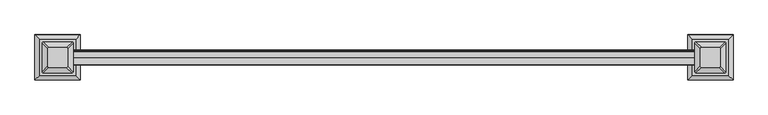
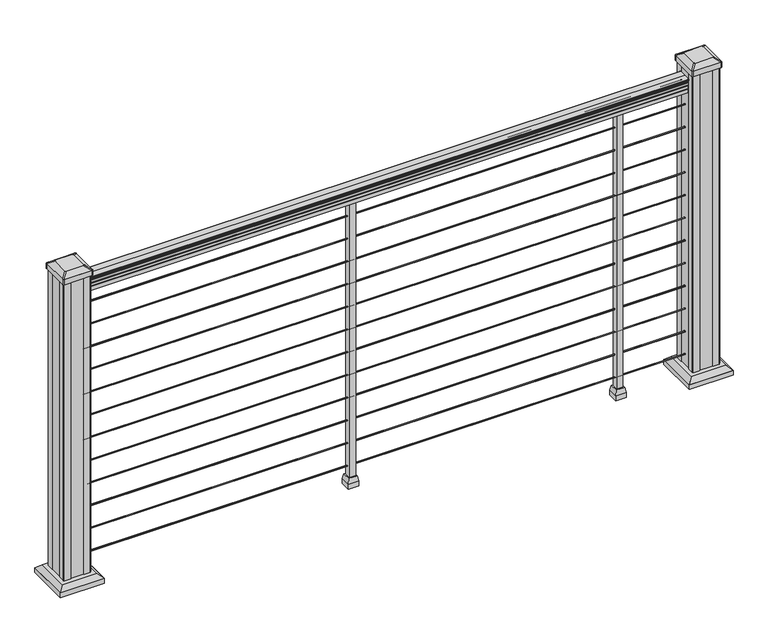
"""IFC4 building model written with IfcOpenShell, lengths in millimetres: railing geometry."""

from ifc_helpers import new_model, si_unit, point, frame, frame_2d, origin, origin_with_axes, place, context, project, spatial, polyline, circle_curve, trimmed, segment, composite_curve, outline, extrude, faceted_brep, source, transform, mapped, element, save
from ifc_brep_helpers import plane_surface, extruded_surface, advanced_brep


def railing_e48bc84e(model_context):
    return source(origin(), model_context, "Body", "SolidModel", [
        extrude(outline(composite_curve([segment(polyline([(-101867.7992427, 938.4043297), (-101867.7992427, 940.292412)]), True, "CONTINUOUS"), segment(trimmed(circle_curve(frame_2d((-101861.4844895, 946.0506383)), 8.545951), [point((-101867.7992427, 940.292412))], [point((-101868.929429, 941.8546695))], False, "CARTESIAN"), True, "CONTINUOUS"), segment(trimmed(circle_curve(frame_2d((-101861.9215524, 945.4636577)), 7.882584), [point((-101868.929429, 941.8546695))], [point((-101868.929429, 949.0726458))], False, "CARTESIAN"), True, "CONTINUOUS"), segment(trimmed(circle_curve(frame_2d((-101872.4348766, 951.3112527)), 4.1592695), [point((-101868.929429, 949.0726458))], [point((-101868.2801726, 951.5060812))], True, "CARTESIAN"), True, "CONTINUOUS"), segment(trimmed(circle_curve(frame_2d((-101873.7221831, 951.2508864)), 5.4479907), [point((-101868.2801726, 951.5060812))], [point((-101870.7801726, 955.8362083))], True, "CARTESIAN"), True, "CONTINUOUS"), segment(trimmed(circle_curve(frame_2d((-101872.4890247, 955.833395)), 1.7088543), [point((-101870.7801726, 955.8362083))], [point((-101872.1895151, 957.5157972))], True, "CARTESIAN"), True, "CONTINUOUS"), segment(trimmed(circle_curve(frame_2d((-101870.8721246, 958.6205318)), 1.7192895), [point((-101872.1895151, 957.5157972))], [point((-101872.5914141, 958.6205318))], False, "CARTESIAN"), True, "CONTINUOUS"), segment(polyline([(-101872.5914141, 958.6205318), (-101872.591414, 959.9608158)]), True, "CONTINUOUS"), segment(trimmed(circle_curve(frame_2d((-101871.0379668, 959.9608158)), 1.5534472), [point((-101872.591414, 959.9608158))], [point((-101871.0379668, 961.514263))], False, "CARTESIAN"), True, "CONTINUOUS"), segment(polyline([(-101871.0379668, 961.514263), (-101850.366414, 961.514263), (-101829.6948612, 961.514263)]), True, "CONTINUOUS"), segment(trimmed(circle_curve(frame_2d((-101829.6948612, 959.9608158)), 1.5534472), [point((-101829.6948612, 961.514263))], [point((-101828.141414, 959.9608158))], False, "CARTESIAN"), True, "CONTINUOUS"), segment(polyline([(-101828.141414, 959.9608158), (-101828.141414, 958.6205318)]), True, "CONTINUOUS"), segment(trimmed(circle_curve(frame_2d((-101829.8607034, 958.6205318)), 1.7192895), [point((-101828.141414, 958.6205318))], [point((-101828.5433129, 957.5157972))], False, "CARTESIAN"), True, "CONTINUOUS"), segment(trimmed(circle_curve(frame_2d((-101828.2438033, 955.833395)), 1.7088543), [point((-101828.5433129, 957.5157972))], [point((-101829.9526554, 955.8362083))], True, "CARTESIAN"), True, "CONTINUOUS"), segment(trimmed(circle_curve(frame_2d((-101827.0106449, 951.2508864)), 5.4479907), [point((-101829.9526554, 955.8362083))], [point((-101832.4526554, 951.5060812))], True, "CARTESIAN"), True, "CONTINUOUS"), segment(trimmed(circle_curve(frame_2d((-101828.2979515, 951.3112527)), 4.1592695), [point((-101832.4526554, 951.5060812))], [point((-101831.803399, 949.0726458))], True, "CARTESIAN"), True, "CONTINUOUS"), segment(trimmed(circle_curve(frame_2d((-101838.8112756, 945.4636577)), 7.882584), [point((-101831.803399, 949.0726458))], [point((-101831.803399, 941.8546695))], False, "CARTESIAN"), True, "CONTINUOUS"), segment(trimmed(circle_curve(frame_2d((-101839.2483386, 946.0506383)), 8.545951), [point((-101831.803399, 941.8546695))], [point((-101832.9335853, 940.292412))], False, "CARTESIAN"), True, "CONTINUOUS"), segment(polyline([(-101832.9335853, 940.292412), (-101832.9335853, 938.4043297)]), True, "CONTINUOUS"), segment(trimmed(circle_curve(frame_2d((-101834.2204996, 938.4043297)), 1.2869144), [point((-101832.9335853, 938.4043297))], [point((-101835.507414, 938.4043297))], False, "CARTESIAN"), True, "CONTINUOUS"), segment(polyline([(-101835.507414, 938.4043297), (-101835.507414, 927.9048283), (-101834.491414, 926.8888283), (-101834.491414, 914.4), (-101866.241414, 914.4), (-101866.241414, 926.731013), (-101865.225414, 927.747013), (-101865.225414, 938.4043297)]), True, "CONTINUOUS"), segment(trimmed(circle_curve(frame_2d((-101866.5123284, 938.4043297)), 1.2869144), [point((-101865.225414, 938.4043297))], [point((-101867.7992427, 938.4043297))], False, "CARTESIAN"), True, "CONTINUOUS")], self_intersect=False)), frame((13676.0817463, 0.0, 0.0), z_axis=(1.0, 0.0, 0.0), x_axis=(0.0, 1.0, 0.0)), (0.0, 0.0, 1.0), 1828.8),
        extrude(outline(composite_curve([segment(trimmed(circle_curve(frame_2d((-101850.366414, 65.024)), 1.5875), [point((-101848.778914, 65.024))], [point((-101850.366414, 63.4365))], False, "CARTESIAN"), True, "CONTINUOUS"), segment(trimmed(circle_curve(frame_2d((-101850.366414, 65.024)), 1.5875), [point((-101850.366414, 63.4365))], [point((-101851.953914, 65.024))], False, "CARTESIAN"), True, "CONTINUOUS"), segment(trimmed(circle_curve(frame_2d((-101850.366414, 65.024)), 1.5875), [point((-101851.953914, 65.024))], [point((-101850.366414, 66.6115))], False, "CARTESIAN"), True, "CONTINUOUS"), segment(trimmed(circle_curve(frame_2d((-101850.366414, 65.024)), 1.5875), [point((-101850.366414, 66.6115))], [point((-101848.778914, 65.024))], False, "CARTESIAN"), True, "CONTINUOUS")], self_intersect=False)), frame((13676.0817463, 0.0, 0.0), z_axis=(1.0, 0.0, 0.0), x_axis=(0.0, 1.0, 0.0)), (0.0, 0.0, 1.0), 1828.8),
        extrude(outline(composite_curve([segment(trimmed(circle_curve(frame_2d((-101850.366414, 138.176)), 1.5875), [point((-101848.778914, 138.176))], [point((-101850.366414, 136.5885))], False, "CARTESIAN"), True, "CONTINUOUS"), segment(trimmed(circle_curve(frame_2d((-101850.366414, 138.176)), 1.5875), [point((-101850.366414, 136.5885))], [point((-101851.953914, 138.176))], False, "CARTESIAN"), True, "CONTINUOUS"), segment(trimmed(circle_curve(frame_2d((-101850.366414, 138.176)), 1.5875), [point((-101851.953914, 138.176))], [point((-101850.366414, 139.7635))], False, "CARTESIAN"), True, "CONTINUOUS"), segment(trimmed(circle_curve(frame_2d((-101850.366414, 138.176)), 1.5875), [point((-101850.366414, 139.7635))], [point((-101848.778914, 138.176))], False, "CARTESIAN"), True, "CONTINUOUS")], self_intersect=False)), frame((13676.0817463, 0.0, 0.0), z_axis=(1.0, 0.0, 0.0), x_axis=(0.0, 1.0, 0.0)), (0.0, 0.0, 1.0), 1828.8),
        extrude(outline(composite_curve([segment(trimmed(circle_curve(frame_2d((-101850.366414, 211.074)), 1.5875), [point((-101848.778914, 211.074))], [point((-101850.366414, 209.4865))], False, "CARTESIAN"), True, "CONTINUOUS"), segment(trimmed(circle_curve(frame_2d((-101850.366414, 211.074)), 1.5875), [point((-101850.366414, 209.4865))], [point((-101851.953914, 211.074))], False, "CARTESIAN"), True, "CONTINUOUS"), segment(trimmed(circle_curve(frame_2d((-101850.366414, 211.074)), 1.5875), [point((-101851.953914, 211.074))], [point((-101850.366414, 212.6615))], False, "CARTESIAN"), True, "CONTINUOUS"), segment(trimmed(circle_curve(frame_2d((-101850.366414, 211.074)), 1.5875), [point((-101850.366414, 212.6615))], [point((-101848.778914, 211.074))], False, "CARTESIAN"), True, "CONTINUOUS")], self_intersect=False)), frame((13676.0817463, 0.0, 0.0), z_axis=(1.0, 0.0, 0.0), x_axis=(0.0, 1.0, 0.0)), (0.0, 0.0, 1.0), 1828.8),
        extrude(outline(composite_curve([segment(trimmed(circle_curve(frame_2d((-101850.366414, 284.226)), 1.5875), [point((-101848.778914, 284.226))], [point((-101850.366414, 282.6385))], False, "CARTESIAN"), True, "CONTINUOUS"), segment(trimmed(circle_curve(frame_2d((-101850.366414, 284.226)), 1.5875), [point((-101850.366414, 282.6385))], [point((-101851.953914, 284.226))], False, "CARTESIAN"), True, "CONTINUOUS"), segment(trimmed(circle_curve(frame_2d((-101850.366414, 284.226)), 1.5875), [point((-101851.953914, 284.226))], [point((-101850.366414, 285.8135))], False, "CARTESIAN"), True, "CONTINUOUS"), segment(trimmed(circle_curve(frame_2d((-101850.366414, 284.226)), 1.5875), [point((-101850.366414, 285.8135))], [point((-101848.778914, 284.226))], False, "CARTESIAN"), True, "CONTINUOUS")], self_intersect=False)), frame((13676.0817463, 0.0, 0.0), z_axis=(1.0, 0.0, 0.0), x_axis=(0.0, 1.0, 0.0)), (0.0, 0.0, 1.0), 1828.8),
        extrude(outline(composite_curve([segment(trimmed(circle_curve(frame_2d((-101850.366414, 357.124)), 1.5875), [point((-101848.778914, 357.124))], [point((-101850.366414, 355.5365))], False, "CARTESIAN"), True, "CONTINUOUS"), segment(trimmed(circle_curve(frame_2d((-101850.366414, 357.124)), 1.5875), [point((-101850.366414, 355.5365))], [point((-101851.953914, 357.124))], False, "CARTESIAN"), True, "CONTINUOUS"), segment(trimmed(circle_curve(frame_2d((-101850.366414, 357.124)), 1.5875), [point((-101851.953914, 357.124))], [point((-101850.366414, 358.7115))], False, "CARTESIAN"), True, "CONTINUOUS"), segment(trimmed(circle_curve(frame_2d((-101850.366414, 357.124)), 1.5875), [point((-101850.366414, 358.7115))], [point((-101848.778914, 357.124))], False, "CARTESIAN"), True, "CONTINUOUS")], self_intersect=False)), frame((13676.0817463, 0.0, 0.0), z_axis=(1.0, 0.0, 0.0), x_axis=(0.0, 1.0, 0.0)), (0.0, 0.0, 1.0), 1828.8),
        extrude(outline(composite_curve([segment(trimmed(circle_curve(frame_2d((-101850.366414, 430.276)), 1.5875), [point((-101848.778914, 430.276))], [point((-101850.366414, 428.6885))], False, "CARTESIAN"), True, "CONTINUOUS"), segment(trimmed(circle_curve(frame_2d((-101850.366414, 430.276)), 1.5875), [point((-101850.366414, 428.6885))], [point((-101851.953914, 430.276))], False, "CARTESIAN"), True, "CONTINUOUS"), segment(trimmed(circle_curve(frame_2d((-101850.366414, 430.276)), 1.5875), [point((-101851.953914, 430.276))], [point((-101850.366414, 431.8635))], False, "CARTESIAN"), True, "CONTINUOUS"), segment(trimmed(circle_curve(frame_2d((-101850.366414, 430.276)), 1.5875), [point((-101850.366414, 431.8635))], [point((-101848.778914, 430.276))], False, "CARTESIAN"), True, "CONTINUOUS")], self_intersect=False)), frame((13676.0817463, 0.0, 0.0), z_axis=(1.0, 0.0, 0.0), x_axis=(0.0, 1.0, 0.0)), (0.0, 0.0, 1.0), 1828.8),
        extrude(outline(composite_curve([segment(trimmed(circle_curve(frame_2d((-101850.366414, 503.174)), 1.5875), [point((-101848.778914, 503.174))], [point((-101850.366414, 501.5865))], False, "CARTESIAN"), True, "CONTINUOUS"), segment(trimmed(circle_curve(frame_2d((-101850.366414, 503.174)), 1.5875), [point((-101850.366414, 501.5865))], [point((-101851.953914, 503.174))], False, "CARTESIAN"), True, "CONTINUOUS"), segment(trimmed(circle_curve(frame_2d((-101850.366414, 503.174)), 1.5875), [point((-101851.953914, 503.174))], [point((-101850.366414, 504.7615))], False, "CARTESIAN"), True, "CONTINUOUS"), segment(trimmed(circle_curve(frame_2d((-101850.366414, 503.174)), 1.5875), [point((-101850.366414, 504.7615))], [point((-101848.778914, 503.174))], False, "CARTESIAN"), True, "CONTINUOUS")], self_intersect=False)), frame((13676.0817463, 0.0, 0.0), z_axis=(1.0, 0.0, 0.0), x_axis=(0.0, 1.0, 0.0)), (0.0, 0.0, 1.0), 1828.8),
        extrude(outline(composite_curve([segment(trimmed(circle_curve(frame_2d((-101850.366414, 576.326)), 1.5875), [point((-101848.778914, 576.326))], [point((-101850.366414, 574.7385))], False, "CARTESIAN"), True, "CONTINUOUS"), segment(trimmed(circle_curve(frame_2d((-101850.366414, 576.326)), 1.5875), [point((-101850.366414, 574.7385))], [point((-101851.953914, 576.326))], False, "CARTESIAN"), True, "CONTINUOUS"), segment(trimmed(circle_curve(frame_2d((-101850.366414, 576.326)), 1.5875), [point((-101851.953914, 576.326))], [point((-101850.366414, 577.9135))], False, "CARTESIAN"), True, "CONTINUOUS"), segment(trimmed(circle_curve(frame_2d((-101850.366414, 576.326)), 1.5875), [point((-101850.366414, 577.9135))], [point((-101848.778914, 576.326))], False, "CARTESIAN"), True, "CONTINUOUS")], self_intersect=False)), frame((13676.0817463, 0.0, 0.0), z_axis=(1.0, 0.0, 0.0), x_axis=(0.0, 1.0, 0.0)), (0.0, 0.0, 1.0), 1828.8),
        extrude(outline(composite_curve([segment(trimmed(circle_curve(frame_2d((-101850.366414, 649.224)), 1.5875), [point((-101848.778914, 649.224))], [point((-101850.366414, 647.6365))], False, "CARTESIAN"), True, "CONTINUOUS"), segment(trimmed(circle_curve(frame_2d((-101850.366414, 649.224)), 1.5875), [point((-101850.366414, 647.6365))], [point((-101851.953914, 649.224))], False, "CARTESIAN"), True, "CONTINUOUS"), segment(trimmed(circle_curve(frame_2d((-101850.366414, 649.224)), 1.5875), [point((-101851.953914, 649.224))], [point((-101850.366414, 650.8115))], False, "CARTESIAN"), True, "CONTINUOUS"), segment(trimmed(circle_curve(frame_2d((-101850.366414, 649.224)), 1.5875), [point((-101850.366414, 650.8115))], [point((-101848.778914, 649.224))], False, "CARTESIAN"), True, "CONTINUOUS")], self_intersect=False)), frame((13676.0817463, 0.0, 0.0), z_axis=(1.0, 0.0, 0.0), x_axis=(0.0, 1.0, 0.0)), (0.0, 0.0, 1.0), 1828.8),
        extrude(outline(composite_curve([segment(trimmed(circle_curve(frame_2d((-101850.366414, 722.376)), 1.5875), [point((-101848.778914, 722.376))], [point((-101850.366414, 720.7885))], False, "CARTESIAN"), True, "CONTINUOUS"), segment(trimmed(circle_curve(frame_2d((-101850.366414, 722.376)), 1.5875), [point((-101850.366414, 720.7885))], [point((-101851.953914, 722.376))], False, "CARTESIAN"), True, "CONTINUOUS"), segment(trimmed(circle_curve(frame_2d((-101850.366414, 722.376)), 1.5875), [point((-101851.953914, 722.376))], [point((-101850.366414, 723.9635))], False, "CARTESIAN"), True, "CONTINUOUS"), segment(trimmed(circle_curve(frame_2d((-101850.366414, 722.376)), 1.5875), [point((-101850.366414, 723.9635))], [point((-101848.778914, 722.376))], False, "CARTESIAN"), True, "CONTINUOUS")], self_intersect=False)), frame((13676.0817463, 0.0, 0.0), z_axis=(1.0, 0.0, 0.0), x_axis=(0.0, 1.0, 0.0)), (0.0, 0.0, 1.0), 1828.8),
        extrude(outline(composite_curve([segment(trimmed(circle_curve(frame_2d((-101850.366414, 795.274)), 1.5875), [point((-101848.778914, 795.274))], [point((-101850.366414, 793.6865))], False, "CARTESIAN"), True, "CONTINUOUS"), segment(trimmed(circle_curve(frame_2d((-101850.366414, 795.274)), 1.5875), [point((-101850.366414, 793.6865))], [point((-101851.953914, 795.274))], False, "CARTESIAN"), True, "CONTINUOUS"), segment(trimmed(circle_curve(frame_2d((-101850.366414, 795.274)), 1.5875), [point((-101851.953914, 795.274))], [point((-101850.366414, 796.8615))], False, "CARTESIAN"), True, "CONTINUOUS"), segment(trimmed(circle_curve(frame_2d((-101850.366414, 795.274)), 1.5875), [point((-101850.366414, 796.8615))], [point((-101848.778914, 795.274))], False, "CARTESIAN"), True, "CONTINUOUS")], self_intersect=False)), frame((13676.0817463, 0.0, 0.0), z_axis=(1.0, 0.0, 0.0), x_axis=(0.0, 1.0, 0.0)), (0.0, 0.0, 1.0), 1828.8),
        extrude(outline(composite_curve([segment(trimmed(circle_curve(frame_2d((-101850.366414, 868.426)), 1.5875), [point((-101848.778914, 868.426))], [point((-101850.366414, 866.8385))], False, "CARTESIAN"), True, "CONTINUOUS"), segment(trimmed(circle_curve(frame_2d((-101850.366414, 868.426)), 1.5875), [point((-101850.366414, 866.8385))], [point((-101851.953914, 868.426))], False, "CARTESIAN"), True, "CONTINUOUS"), segment(trimmed(circle_curve(frame_2d((-101850.366414, 868.426)), 1.5875), [point((-101851.953914, 868.426))], [point((-101850.366414, 870.0135))], False, "CARTESIAN"), True, "CONTINUOUS"), segment(trimmed(circle_curve(frame_2d((-101850.366414, 868.426)), 1.5875), [point((-101850.366414, 870.0135))], [point((-101848.778914, 868.426))], False, "CARTESIAN"), True, "CONTINUOUS")], self_intersect=False)), frame((13676.0817463, 0.0, 0.0), z_axis=(1.0, 0.0, 0.0), x_axis=(0.0, 1.0, 0.0)), (0.0, 0.0, 1.0), 1828.8),
        faceted_brep([(15288.9817463, -101863.066414, 32.1497081), (15314.3817463, -101863.066414, 32.1497081), (15314.3817463, -101837.666414, 32.1497081), (15288.9817463, -101837.666414, 32.1497081), (15285.8067463, -101866.241414, 16.2747081), (15285.8067463, -101834.491414, 16.2747081), (15317.5567463, -101834.491414, 16.2747081), (15317.5567463, -101866.241414, 16.2747081)], [[[0, 1, 2, 3]], [[4, 5, 6, 7]], [[4, 0, 3, 5]], [[5, 3, 2, 6]], [[6, 2, 1, 7]], [[7, 1, 0, 4]]]),
        extrude(outline(polyline([(15285.8067463, -101866.241414), (15285.8067463, -101834.491414), (15317.5567463, -101834.491414), (15317.5567463, -101866.241414), (15285.8067463, -101866.241414)])), origin_with_axes(), (0.0, 0.0, 1.0), 16.2747081),
        extrude(outline(polyline([(15292.1567463, -101859.891414), (15292.1567463, -101840.841414), (15311.2067463, -101840.841414), (15311.2067463, -101859.891414), (15292.1567463, -101859.891414)])), origin_with_axes(), (0.0, 0.0, 1.0), 914.4),
        faceted_brep([(14476.1817463, -101863.066414, 32.1497081), (14501.5817463, -101863.066414, 32.1497081), (14501.5817463, -101837.666414, 32.1497081), (14476.1817463, -101837.666414, 32.1497081), (14473.0067463, -101866.241414, 16.2747081), (14473.0067463, -101834.491414, 16.2747081), (14504.7567463, -101834.491414, 16.2747081), (14504.7567463, -101866.241414, 16.2747081)], [[[0, 1, 2, 3]], [[4, 5, 6, 7]], [[4, 0, 3, 5]], [[5, 3, 2, 6]], [[6, 2, 1, 7]], [[7, 1, 0, 4]]]),
        extrude(outline(polyline([(14473.0067463, -101866.241414), (14473.0067463, -101834.491414), (14504.7567463, -101834.491414), (14504.7567463, -101866.241414), (14473.0067463, -101866.241414)])), origin_with_axes(), (0.0, 0.0, 1.0), 16.2747081),
        extrude(outline(polyline([(14479.3567463, -101859.891414), (14479.3567463, -101840.841414), (14498.4067463, -101840.841414), (14498.4067463, -101859.891414), (14479.3567463, -101859.891414)])), origin_with_axes(), (0.0, 0.0, 1.0), 914.4),
        faceted_brep([(15493.6978088, -101902.9523515, 28.575), (15598.8696838, -101902.9523515, 28.575), (15598.8696838, -101797.7804765, 28.575), (15493.6978088, -101797.7804765, 28.575), (15479.6583557, -101916.9918046, 15.24), (15479.6583557, -101783.7410234, 15.24), (15612.909137, -101783.7410234, 15.24), (15612.909137, -101916.9918046, 15.24)], [[[0, 1, 2, 3]], [[4, 5, 6, 7]], [[4, 0, 3, 5]], [[5, 3, 2, 6]], [[6, 2, 1, 7]], [[7, 1, 0, 4]]]),
        extrude(outline(polyline([(15479.6583557, -101916.9918046), (15479.6583557, -101783.7410234), (15612.909137, -101783.7410234), (15612.909137, -101916.9918046), (15479.6583557, -101916.9918046)])), origin_with_axes(), (0.0, 0.0, 1.0), 15.24),
        advanced_brep(
        [(15517.3118713, -101824.569539, 1012.825), (15517.3118713, -101876.163289, 1012.825), (15520.4868713, -101879.338289, 1012.825), (15572.0806213, -101879.338289, 1012.825), (15575.2556213, -101876.163289, 1012.825), (15575.2556213, -101824.569539, 1012.825), (15572.0806213, -101821.394539, 1012.825), (15520.4868713, -101821.394539, 1012.825), (15501.0399963, -101808.297664, 1001.522), (15504.2149963, -101805.122664, 1001.522), (15588.3524963, -101805.122664, 1001.522), (15591.5274963, -101808.297664, 1001.522), (15591.5274963, -101892.435164, 1001.522), (15588.3524963, -101895.610164, 1001.522), (15504.2149963, -101895.610164, 1001.522), (15501.0399963, -101892.435164, 1001.522)],
        [
            (0, 1),
            (1, 2, circle_curve(frame((15520.4868713, -101876.163289, 1012.825), z_axis=(0.0, 0.0, 1.0), x_axis=(1.0, 0.0, 0.0)), 3.175)),
            (2, 3),
            (3, 4, circle_curve(frame((15572.0806213, -101876.163289, 1012.825), z_axis=(0.0, 0.0, 1.0), x_axis=(1.0, 0.0, 0.0)), 3.175)),
            (4, 5),
            (5, 6, circle_curve(frame((15572.0806213, -101824.569539, 1012.825), z_axis=(0.0, 0.0, 1.0), x_axis=(1.0, 0.0, 0.0)), 3.175)),
            (6, 7),
            (7, 0, circle_curve(frame((15520.4868713, -101824.569539, 1012.825), z_axis=(0.0, 0.0, 1.0), x_axis=(1.0, 0.0, 0.0)), 3.175)),
            (8, 9, circle_curve(frame((15504.2149963, -101808.297664, 1001.522), z_axis=(0.0, 0.0, -1.0), x_axis=(1.0, 0.0, 0.0)), 3.175)),
            (9, 10),
            (10, 11, circle_curve(frame((15588.3524963, -101808.297664, 1001.522), z_axis=(0.0, 0.0, -1.0), x_axis=(1.0, 0.0, 0.0)), 3.175)),
            (11, 12),
            (12, 13, circle_curve(frame((15588.3524963, -101892.435164, 1001.522), z_axis=(0.0, 0.0, -1.0), x_axis=(1.0, 0.0, 0.0)), 3.175)),
            (13, 14),
            (14, 15, circle_curve(frame((15504.2149963, -101892.435164, 1001.522), z_axis=(0.0, 0.0, -1.0), x_axis=(1.0, 0.0, 0.0)), 3.175)),
            (15, 8),
            (8, 0),
            (7, 9),
            (6, 10),
            (5, 11),
            (4, 12),
            (3, 13),
            (2, 14),
            (1, 15),
        ],
        [
            plane_surface(frame((15546.2837463, -101850.366414, 1012.825), z_axis=(0.0, 0.0, 1.0), x_axis=(0.0, 1.0, 0.0))),
            plane_surface(frame((15546.2837463, -101850.366414, 1001.522), z_axis=(0.0, 0.0, -1.0), x_axis=(0.0, 1.0, 0.0))),
            extruded_surface(trimmed(circle_curve(frame((15520.4868713, -101824.569539, 1012.825), z_axis=(0.0, 0.0, -1.0), x_axis=(1.0, 0.0, 0.0)), 3.175), [point((15517.3118713, -101824.569539, 1012.825))], [point((15520.4868713, -101821.394539, 1012.825))], True, "CARTESIAN"), (-16.271875000000364, 16.27187500000582, -11.302999999999997), 25.637972638870085),
            plane_surface(frame((15546.2837463, -101805.122664, 1001.522), z_axis=(0.0, 0.5705009161540779, 0.8212969649690408), x_axis=(1.0, 0.0, 0.0))),
            extruded_surface(trimmed(circle_curve(frame((15572.0806213, -101824.569539, 1012.825), z_axis=(0.0, 0.0, -1.0), x_axis=(1.0, 0.0, 0.0)), 3.175), [point((15572.0806213, -101821.394539, 1012.825))], [point((15575.2556213, -101824.569539, 1012.825))], True, "CARTESIAN"), (16.271875000000364, 16.27187500000582, -11.302999999999997), 25.637972638870085),
            plane_surface(frame((15591.5274963, -101850.366414, 1001.522), z_axis=(0.5705009161540291, 0.0, 0.8212969649690747), x_axis=(0.0, -1.0, 0.0))),
            extruded_surface(trimmed(circle_curve(frame((15572.0806213, -101876.163289, 1012.825), z_axis=(0.0, 0.0, -1.0), x_axis=(1.0, 0.0, 0.0)), 3.175), [point((15575.2556213, -101876.163289, 1012.825))], [point((15572.0806213, -101879.338289, 1012.825))], True, "CARTESIAN"), (16.271875000000364, -16.27187499999127, -11.302999999999997), 25.637972638860848),
            plane_surface(frame((15546.2837463, -101895.610164, 1001.522), z_axis=(0.0, -0.5705009161540141, 0.8212969649690851), x_axis=(-1.0, 0.0, 0.0))),
            extruded_surface(trimmed(circle_curve(frame((15520.4868713, -101876.163289, 1012.825), z_axis=(0.0, 0.0, -1.0), x_axis=(1.0, 0.0, 0.0)), 3.175), [point((15520.4868713, -101879.338289, 1012.825))], [point((15517.3118713, -101876.163289, 1012.825))], True, "CARTESIAN"), (-16.271875000000364, -16.27187499999127, -11.302999999999997), 25.637972638860848),
            plane_surface(frame((15501.0399963, -101850.366414, 1001.522), z_axis=(-0.570500916154034, 0.0, 0.8212969649690713), x_axis=(0.0, 1.0, 0.0))),
        ],
        [
            (0, [[1, 2, 3, 4, 5, 6, 7, 8]]),
            (1, [[9, 10, 11, 12, 13, 14, 15, 16]]),
            (2, [[17, -8, 18, -9]]),
            (3, [[-18, -7, 19, -10]]),
            (4, [[-19, -6, 20, -11]]),
            (5, [[-20, -5, 21, -12]]),
            (6, [[-21, -4, 22, -13]]),
            (7, [[-22, -3, 23, -14]]),
            (8, [[-23, -2, 24, -15]]),
            (9, [[-24, -1, -17, -16]]),
        ],
    ),
        extrude(outline(composite_curve([segment(trimmed(circle_curve(frame_2d((15504.2149963, -101808.297664)), 3.175), [point((15501.0399963, -101808.297664))], [point((15504.2149963, -101805.122664))], False, "CARTESIAN"), True, "CONTINUOUS"), segment(polyline([(15504.2149963, -101805.122664), (15588.3524963, -101805.122664)]), True, "CONTINUOUS"), segment(trimmed(circle_curve(frame_2d((15588.3524963, -101808.297664)), 3.175), [point((15588.3524963, -101805.122664))], [point((15591.5274963, -101808.297664))], False, "CARTESIAN"), True, "CONTINUOUS"), segment(polyline([(15591.5274963, -101808.297664), (15591.5274963, -101892.435164)]), True, "CONTINUOUS"), segment(trimmed(circle_curve(frame_2d((15588.3524963, -101892.435164)), 3.175), [point((15591.5274963, -101892.435164))], [point((15588.3524963, -101895.610164))], False, "CARTESIAN"), True, "CONTINUOUS"), segment(polyline([(15588.3524963, -101895.610164), (15504.2149963, -101895.610164)]), True, "CONTINUOUS"), segment(trimmed(circle_curve(frame_2d((15504.2149963, -101892.435164)), 3.175), [point((15504.2149963, -101895.610164))], [point((15501.0399963, -101892.435164))], False, "CARTESIAN"), True, "CONTINUOUS"), segment(polyline([(15501.0399963, -101892.435164), (15501.0399963, -101808.297664)]), True, "CONTINUOUS")], self_intersect=False)), frame((0.0, 0.0, 984.25), z_axis=(0.0, 0.0, 1.0), x_axis=(1.0, 0.0, 0.0)), (0.0, 0.0, 1.0), 17.272),
        extrude(outline(polyline([(15505.0087463, -101810.678914), (15506.5962463, -101809.091414), (15526.2177463, -101809.091414), (15526.9797463, -101810.678914), (15565.5877463, -101810.678914), (15566.3497463, -101809.091414), (15585.9712463, -101809.091414), (15587.5587463, -101810.678914), (15587.5587463, -101830.300414), (15585.9712463, -101831.062414), (15585.9712463, -101869.670414), (15587.5587463, -101870.432414), (15587.5587463, -101890.053914), (15585.9712463, -101891.641414), (15566.3497463, -101891.641414), (15565.5877463, -101890.053914), (15526.9797463, -101890.053914), (15526.2177463, -101891.641414), (15506.5962463, -101891.641414), (15505.0087463, -101890.053914), (15505.0087463, -101870.432414), (15506.5962463, -101869.670414), (15506.5962463, -101831.062414), (15505.0087463, -101830.300414), (15505.0087463, -101810.678914)])), origin_with_axes(), (0.0, 0.0, 1.0), 984.25),
        faceted_brep([(13582.0938088, -101902.9523515, 28.575), (13687.2656838, -101902.9523515, 28.575), (13687.2656838, -101797.7804765, 28.575), (13582.0938088, -101797.7804765, 28.575), (13568.0543557, -101916.9918046, 15.24), (13568.0543557, -101783.7410234, 15.24), (13701.305137, -101783.7410234, 15.24), (13701.305137, -101916.9918046, 15.24)], [[[0, 1, 2, 3]], [[4, 5, 6, 7]], [[4, 0, 3, 5]], [[5, 3, 2, 6]], [[6, 2, 1, 7]], [[7, 1, 0, 4]]]),
        extrude(outline(polyline([(13568.0543557, -101916.9918046), (13568.0543557, -101783.7410234), (13701.305137, -101783.7410234), (13701.305137, -101916.9918046), (13568.0543557, -101916.9918046)])), origin_with_axes(), (0.0, 0.0, 1.0), 15.24),
        advanced_brep(
        [(13605.7078713, -101824.569539, 1012.825), (13605.7078713, -101876.163289, 1012.825), (13608.8828713, -101879.338289, 1012.825), (13660.4766213, -101879.338289, 1012.825), (13663.6516213, -101876.163289, 1012.825), (13663.6516213, -101824.569539, 1012.825), (13660.4766213, -101821.394539, 1012.825), (13608.8828713, -101821.394539, 1012.825), (13589.4359963, -101808.297664, 1001.522), (13592.6109963, -101805.122664, 1001.522), (13676.7484963, -101805.122664, 1001.522), (13679.9234963, -101808.297664, 1001.522), (13679.9234963, -101892.435164, 1001.522), (13676.7484963, -101895.610164, 1001.522), (13592.6109963, -101895.610164, 1001.522), (13589.4359963, -101892.435164, 1001.522)],
        [
            (0, 1),
            (1, 2, circle_curve(frame((13608.8828713, -101876.163289, 1012.825), z_axis=(0.0, 0.0, 1.0), x_axis=(1.0, 0.0, 0.0)), 3.175)),
            (2, 3),
            (3, 4, circle_curve(frame((13660.4766213, -101876.163289, 1012.825), z_axis=(0.0, 0.0, 1.0), x_axis=(1.0, 0.0, 0.0)), 3.175)),
            (4, 5),
            (5, 6, circle_curve(frame((13660.4766213, -101824.569539, 1012.825), z_axis=(0.0, 0.0, 1.0), x_axis=(1.0, 0.0, 0.0)), 3.175)),
            (6, 7),
            (7, 0, circle_curve(frame((13608.8828713, -101824.569539, 1012.825), z_axis=(0.0, 0.0, 1.0), x_axis=(1.0, 0.0, 0.0)), 3.175)),
            (8, 9, circle_curve(frame((13592.6109963, -101808.297664, 1001.522), z_axis=(0.0, 0.0, -1.0), x_axis=(1.0, 0.0, 0.0)), 3.175)),
            (9, 10),
            (10, 11, circle_curve(frame((13676.7484963, -101808.297664, 1001.522), z_axis=(0.0, 0.0, -1.0), x_axis=(1.0, 0.0, 0.0)), 3.175)),
            (11, 12),
            (12, 13, circle_curve(frame((13676.7484963, -101892.435164, 1001.522), z_axis=(0.0, 0.0, -1.0), x_axis=(1.0, 0.0, 0.0)), 3.175)),
            (13, 14),
            (14, 15, circle_curve(frame((13592.6109963, -101892.435164, 1001.522), z_axis=(0.0, 0.0, -1.0), x_axis=(1.0, 0.0, 0.0)), 3.175)),
            (15, 8),
            (8, 0),
            (7, 9),
            (6, 10),
            (5, 11),
            (4, 12),
            (3, 13),
            (2, 14),
            (1, 15),
        ],
        [
            plane_surface(frame((13634.6797463, -101850.366414, 1012.825), z_axis=(0.0, 0.0, 1.0), x_axis=(0.0, 1.0, 0.0))),
            plane_surface(frame((13634.6797463, -101850.366414, 1001.522), z_axis=(0.0, 0.0, -1.0), x_axis=(0.0, 1.0, 0.0))),
            extruded_surface(trimmed(circle_curve(frame((13608.8828713, -101824.569539, 1012.825), z_axis=(0.0, 0.0, -1.0), x_axis=(1.0, 0.0, 0.0)), 3.175), [point((13605.7078713, -101824.569539, 1012.825))], [point((13608.8828713, -101821.394539, 1012.825))], True, "CARTESIAN"), (-16.271875000000364, 16.27187500000582, -11.302999999999997), 25.637972638870085),
            plane_surface(frame((13634.6797463, -101805.122664, 1001.522), z_axis=(0.0, 0.5705009161540779, 0.8212969649690408), x_axis=(1.0, 0.0, 0.0))),
            extruded_surface(trimmed(circle_curve(frame((13660.4766213, -101824.569539, 1012.825), z_axis=(0.0, 0.0, -1.0), x_axis=(1.0, 0.0, 0.0)), 3.175), [point((13660.4766213, -101821.394539, 1012.825))], [point((13663.6516213, -101824.569539, 1012.825))], True, "CARTESIAN"), (16.271875000000364, 16.27187500000582, -11.302999999999997), 25.637972638870085),
            plane_surface(frame((13679.9234963, -101850.366414, 1001.522), z_axis=(0.5705009161540291, 0.0, 0.8212969649690747), x_axis=(0.0, -1.0, 0.0))),
            extruded_surface(trimmed(circle_curve(frame((13660.4766213, -101876.163289, 1012.825), z_axis=(0.0, 0.0, -1.0), x_axis=(1.0, 0.0, 0.0)), 3.175), [point((13663.6516213, -101876.163289, 1012.825))], [point((13660.4766213, -101879.338289, 1012.825))], True, "CARTESIAN"), (16.271875000000364, -16.27187499999127, -11.302999999999997), 25.637972638860848),
            plane_surface(frame((13634.6797463, -101895.610164, 1001.522), z_axis=(0.0, -0.5705009161540141, 0.8212969649690851), x_axis=(-1.0, 0.0, 0.0))),
            extruded_surface(trimmed(circle_curve(frame((13608.8828713, -101876.163289, 1012.825), z_axis=(0.0, 0.0, -1.0), x_axis=(1.0, 0.0, 0.0)), 3.175), [point((13608.8828713, -101879.338289, 1012.825))], [point((13605.7078713, -101876.163289, 1012.825))], True, "CARTESIAN"), (-16.271875000000364, -16.27187499999127, -11.302999999999997), 25.637972638860848),
            plane_surface(frame((13589.4359963, -101850.366414, 1001.522), z_axis=(-0.570500916154034, 0.0, 0.8212969649690713), x_axis=(0.0, 1.0, 0.0))),
        ],
        [
            (0, [[1, 2, 3, 4, 5, 6, 7, 8]]),
            (1, [[9, 10, 11, 12, 13, 14, 15, 16]]),
            (2, [[17, -8, 18, -9]]),
            (3, [[-18, -7, 19, -10]]),
            (4, [[-19, -6, 20, -11]]),
            (5, [[-20, -5, 21, -12]]),
            (6, [[-21, -4, 22, -13]]),
            (7, [[-22, -3, 23, -14]]),
            (8, [[-23, -2, 24, -15]]),
            (9, [[-24, -1, -17, -16]]),
        ],
    ),
        extrude(outline(composite_curve([segment(trimmed(circle_curve(frame_2d((13592.6109963, -101808.297664)), 3.175), [point((13589.4359963, -101808.297664))], [point((13592.6109963, -101805.122664))], False, "CARTESIAN"), True, "CONTINUOUS"), segment(polyline([(13592.6109963, -101805.122664), (13676.7484963, -101805.122664)]), True, "CONTINUOUS"), segment(trimmed(circle_curve(frame_2d((13676.7484963, -101808.297664)), 3.175), [point((13676.7484963, -101805.122664))], [point((13679.9234963, -101808.297664))], False, "CARTESIAN"), True, "CONTINUOUS"), segment(polyline([(13679.9234963, -101808.297664), (13679.9234963, -101892.435164)]), True, "CONTINUOUS"), segment(trimmed(circle_curve(frame_2d((13676.7484963, -101892.435164)), 3.175), [point((13679.9234963, -101892.435164))], [point((13676.7484963, -101895.610164))], False, "CARTESIAN"), True, "CONTINUOUS"), segment(polyline([(13676.7484963, -101895.610164), (13592.6109963, -101895.610164)]), True, "CONTINUOUS"), segment(trimmed(circle_curve(frame_2d((13592.6109963, -101892.435164)), 3.175), [point((13592.6109963, -101895.610164))], [point((13589.4359963, -101892.435164))], False, "CARTESIAN"), True, "CONTINUOUS"), segment(polyline([(13589.4359963, -101892.435164), (13589.4359963, -101808.297664)]), True, "CONTINUOUS")], self_intersect=False)), frame((0.0, 0.0, 984.25), z_axis=(0.0, 0.0, 1.0), x_axis=(1.0, 0.0, 0.0)), (0.0, 0.0, 1.0), 17.272),
        extrude(outline(polyline([(13593.4047463, -101810.678914), (13594.9922463, -101809.091414), (13614.6137463, -101809.091414), (13615.3757463, -101810.678914), (13653.9837463, -101810.678914), (13654.7457463, -101809.091414), (13674.3672463, -101809.091414), (13675.9547463, -101810.678914), (13675.9547463, -101830.300414), (13674.3672463, -101831.062414), (13674.3672463, -101869.670414), (13675.9547463, -101870.432414), (13675.9547463, -101890.053914), (13674.3672463, -101891.641414), (13654.7457463, -101891.641414), (13653.9837463, -101890.053914), (13615.3757463, -101890.053914), (13614.6137463, -101891.641414), (13594.9922463, -101891.641414), (13593.4047463, -101890.053914), (13593.4047463, -101870.432414), (13594.9922463, -101869.670414), (13594.9922463, -101831.062414), (13593.4047463, -101830.300414), (13593.4047463, -101810.678914)])), origin_with_axes(), (0.0, 0.0, 1.0), 984.25),
    ])


if __name__ == "__main__":
    model = new_model("IFC4")
    model_context = context("Model", 3, world=origin())
    ifc_project = project(units=[si_unit("LENGTHUNIT", "METRE", prefix="MILLI")], contexts=[model_context])
    site = spatial("IfcSite", under=ifc_project)
    building = spatial("IfcBuilding", under=site)
    placement = place(None, origin())
    railing_shape = railing_e48bc84e(model_context)
    element("IfcRailing", 1, at=placement, inside=building, context=model_context, shape_type="MappedRepresentation", body=[
        mapped(railing_shape, transform((0.0, 0.0, 0.0), x_axis=(1.0, 0.0, 0.0), y_axis=(0.0, 1.0, 0.0), z_axis=(0.0, 0.0, 1.0))),
    ])
    save(model, "model.ifc")
